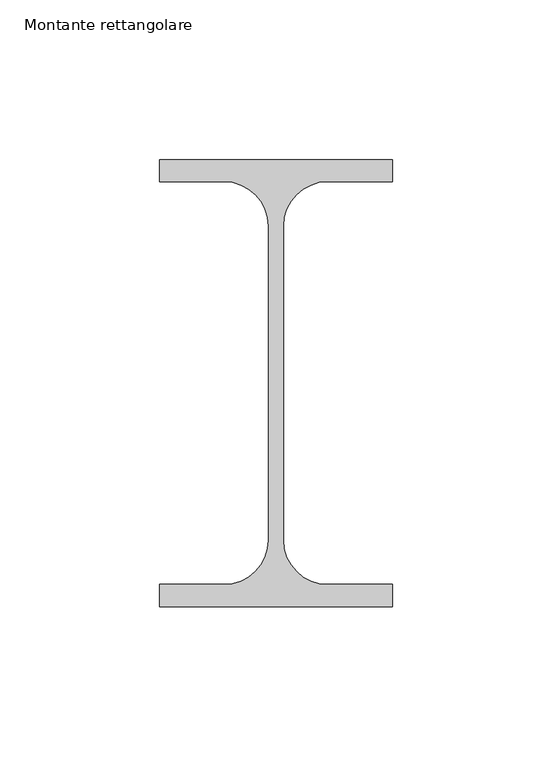
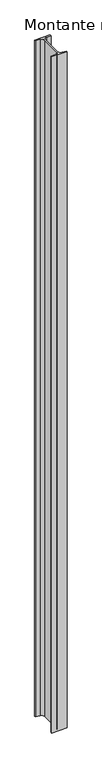
"""IFC4 building model written with IfcOpenShell, lengths in millimetres: member geometry, Montante rettangolare."""

from ifc_helpers import new_model, si_unit, point, frame, frame_2d, origin, place, context, project, spatial, polyline, circle_curve, trimmed, segment, composite_curve, outline, extrude, source, transform, mapped, element, save


def montante_rettangolare_b7a32065(model_context):
    return source(origin(), model_context, "Body", "SweptSolid", [
        extrude(outline(composite_curve([segment(polyline([(-36.5, -13.1), (-16.25, -13.1)]), True, "CONTINUOUS"), segment(trimmed(circle_curve(frame_2d((-16.25, 0.8)), 13.9), [point((-16.25, -13.1))], [point((-2.35, 0.8))], True, "CARTESIAN"), True, "CONTINUOUS"), segment(polyline([(-2.35, 0.8), (-2.35, 99.2)]), True, "CONTINUOUS"), segment(trimmed(circle_curve(frame_2d((-16.25, 99.2)), 13.9), [point((-2.35, 99.2))], [point((-16.25, 113.1))], True, "CARTESIAN"), True, "CONTINUOUS"), segment(polyline([(-16.25, 113.1), (-36.5, 113.1), (-36.5, 120.0), (36.5, 120.0), (36.5, 113.1), (16.25, 113.1)]), True, "CONTINUOUS"), segment(trimmed(circle_curve(frame_2d((16.25, 99.2)), 13.9), [point((16.25, 113.1))], [point((2.35, 99.2))], True, "CARTESIAN"), True, "CONTINUOUS"), segment(polyline([(2.35, 99.2), (2.35, 0.8)]), True, "CONTINUOUS"), segment(trimmed(circle_curve(frame_2d((16.25, 0.8)), 13.9), [point((2.35, 0.8))], [point((16.25, -13.1))], True, "CARTESIAN"), True, "CONTINUOUS"), segment(polyline([(16.25, -13.1), (36.5, -13.1), (36.5, -20.0), (-36.5, -20.0), (-36.5, -13.1)]), True, "CONTINUOUS")], self_intersect=False)), frame((0.0, 0.0, -3387.1357133), z_axis=(0.0, 0.0, 1.0), x_axis=(1.0, 0.0, 0.0)), (0.0, 0.0, 1.0), 3387.1357133),
    ])


if __name__ == "__main__":
    model = new_model("IFC4")
    model_context = context("Model", 3, world=origin())
    ifc_project = project(units=[si_unit("LENGTHUNIT", "METRE", prefix="MILLI")], contexts=[model_context])
    site = spatial("IfcSite", under=ifc_project)
    building = spatial("IfcBuilding", under=site)
    placement = place(None, origin())
    montante_rettangolare_shape = montante_rettangolare_b7a32065(model_context)
    element("IfcMember", 1, ObjectType="Montante rettangolare", at=placement, inside=building, context=model_context, shape_type="MappedRepresentation", body=[
        mapped(montante_rettangolare_shape, transform((0.0, 0.0, 0.0), x_axis=(1.0, 0.0, 0.0), y_axis=(0.0, 1.0, 0.0), z_axis=(0.0, 0.0, 1.0))),
    ])
    save(model, "model.ifc")
